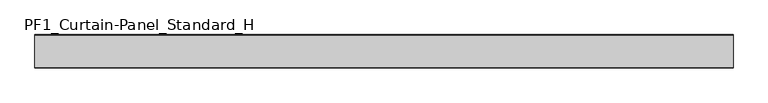
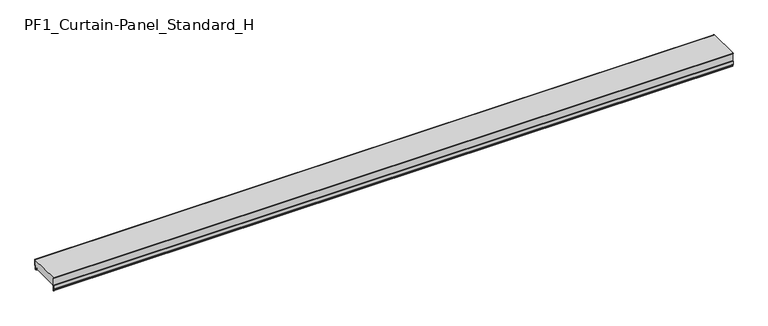
"""IFC4 building model written with IfcOpenShell, lengths in millimetres: plate geometry, PF1_Curtain-Panel_Standard_H."""

from ifc_helpers import new_model, si_unit, point, frame, frame_2d, origin, place, context, project, spatial, polyline, circle_curve, trimmed, segment, composite_curve, outline, extrude, source, transform, mapped, element, save


def pf1_curtain_panel_standard_h_0fafce99(model_context):
    return source(origin(), model_context, "Body", "SweptSolid", [
        extrude(outline(composite_curve([segment(polyline([(-15.878557, 0.0), (-20.0, 0.0), (-20.0, 0.8), (-15.878557, 0.8)]), True, "CONTINUOUS"), segment(trimmed(circle_curve(frame_2d((-15.878557, -2.0)), 2.8), [point((-15.878557, 0.8))], [point((-13.1503208, -1.370137))], False, "CARTESIAN"), True, "CONTINUOUS"), segment(polyline([(-13.1503208, -1.370137), (-11.728236, -7.529863)]), True, "CONTINUOUS"), segment(trimmed(circle_curve(frame_2d((-9.0, -6.9)), 2.8), [point((-11.728236, -7.529863))], [point((-6.2, -6.9))], True, "CARTESIAN"), True, "CONTINUOUS"), segment(polyline([(-6.2, -6.9), (-6.2, 8.6)]), True, "CONTINUOUS"), segment(trimmed(circle_curve(frame_2d((-3.4, 8.6)), 2.8), [point((-6.2, 8.6))], [point((-3.4, 11.4))], False, "CARTESIAN"), True, "CONTINUOUS"), segment(polyline([(-3.4, 11.4), (-2.0, 11.4)]), True, "CONTINUOUS"), segment(trimmed(circle_curve(frame_2d((-2.0, 12.6)), 1.2), [point((-2.0, 11.4))], [point((-0.8, 12.6))], True, "CARTESIAN"), True, "CONTINUOUS"), segment(polyline([(-0.8, 12.6), (-0.8, 50.0), (0.0, 50.0), (0.0, 12.6)]), True, "CONTINUOUS"), segment(trimmed(circle_curve(frame_2d((-2.0, 12.6)), 2.0), [point((0.0, 12.6))], [point((-2.0, 10.6))], False, "CARTESIAN"), True, "CONTINUOUS"), segment(polyline([(-2.0, 10.6), (-3.4, 10.6)]), True, "CONTINUOUS"), segment(trimmed(circle_curve(frame_2d((-3.4, 8.6)), 2.0), [point((-3.4, 10.6))], [point((-5.4, 8.6))], True, "CARTESIAN"), True, "CONTINUOUS"), segment(polyline([(-5.4, 8.6), (-5.4, -6.9)]), True, "CONTINUOUS"), segment(trimmed(circle_curve(frame_2d((-9.0, -6.9)), 3.6), [point((-5.4, -6.9))], [point((-12.5077322, -7.7098239))], False, "CARTESIAN"), True, "CONTINUOUS"), segment(polyline([(-12.5077322, -7.7098239), (-13.929817, -1.5500979)]), True, "CONTINUOUS"), segment(trimmed(circle_curve(frame_2d((-15.878557, -2.0)), 2.0), [point((-13.929817, -1.5500979))], [point((-15.878557, 0.0))], True, "CARTESIAN"), True, "CONTINUOUS")], self_intersect=False)), frame((-2100.0, 0.0, 0.0), z_axis=(1.0, 0.0, 0.0), x_axis=(0.0, 1.0, 0.0)), (0.0, 0.0, 1.0), 4200.0),
        extrude(outline(composite_curve([segment(polyline([(-190.0, 0.0), (-193.5, 0.0)]), True, "CONTINUOUS"), segment(trimmed(circle_curve(frame_2d((-193.5, -2.0)), 2.0), [point((-193.5, 0.0))], [point((-195.5, -2.0))], True, "CARTESIAN"), True, "CONTINUOUS"), segment(polyline([(-195.5, -2.0), (-195.5, -33.0)]), True, "CONTINUOUS"), segment(trimmed(circle_curve(frame_2d((-196.5, -33.0)), 1.0), [point((-195.5, -33.0))], [point((-197.5, -33.0))], False, "CARTESIAN"), True, "CONTINUOUS"), segment(polyline([(-197.5, -33.0), (-197.5, -26.9)]), True, "CONTINUOUS"), segment(trimmed(circle_curve(frame_2d((-198.4, -26.9)), 0.9), [point((-197.5, -26.9))], [point((-198.4, -26.0))], True, "CARTESIAN"), True, "CONTINUOUS"), segment(trimmed(circle_curve(frame_2d((-198.4, -24.4)), 1.6), [point((-198.4, -26.0))], [point((-200.0, -24.4))], False, "CARTESIAN"), True, "CONTINUOUS"), segment(polyline([(-200.0, -24.4), (-200.0, -0.9952559), (-198.5, 1.6028217), (-198.5, 46.4028193), (-200.0, 49.0008969), (-200.0, 50.0), (-199.2, 50.0), (-199.2, 49.2152562), (-197.7, 46.6171786), (-197.7, 1.3884624), (-199.2, -1.2096152), (-199.2, -24.4)]), True, "CONTINUOUS"), segment(trimmed(circle_curve(frame_2d((-198.4, -24.4)), 0.8), [point((-199.2, -24.4))], [point((-198.4, -25.2))], True, "CARTESIAN"), True, "CONTINUOUS"), segment(trimmed(circle_curve(frame_2d((-198.6133333, -26.9)), 1.7133333), [point((-198.4, -25.2))], [point((-196.9, -26.9))], False, "CARTESIAN"), True, "CONTINUOUS"), segment(polyline([(-196.9, -26.9), (-196.9, -32.8700312)]), True, "CONTINUOUS"), segment(trimmed(circle_curve(frame_2d((-196.6, -32.8700312)), 0.3), [point((-196.9, -32.8700312))], [point((-196.3, -32.8700312))], True, "CARTESIAN"), True, "CONTINUOUS"), segment(polyline([(-196.3, -32.8700312), (-196.3, -2.0)]), True, "CONTINUOUS"), segment(trimmed(circle_curve(frame_2d((-193.5, -2.0)), 2.8), [point((-196.3, -2.0))], [point((-193.5, 0.8))], False, "CARTESIAN"), True, "CONTINUOUS"), segment(polyline([(-193.5, 0.8), (-190.0, 0.8), (-190.0, 0.0)]), True, "CONTINUOUS")], self_intersect=False)), frame((-2100.0, 0.0, 0.0), z_axis=(1.0, 0.0, 0.0), x_axis=(0.0, 1.0, 0.0)), (0.0, 0.0, 1.0), 4200.0),
        extrude(outline(composite_curve([segment(polyline([(-190.0, 0.8), (-193.5, 0.8)]), True, "CONTINUOUS"), segment(trimmed(circle_curve(frame_2d((-193.5, -2.0)), 2.8), [point((-193.5, 0.8))], [point((-196.3, -2.0))], True, "CARTESIAN"), True, "CONTINUOUS"), segment(polyline([(-196.3, -2.0), (-196.3, -32.8700312)]), True, "CONTINUOUS"), segment(trimmed(circle_curve(frame_2d((-196.6, -32.8700312)), 0.3), [point((-196.3, -32.8700312))], [point((-196.9, -32.8700312))], False, "CARTESIAN"), True, "CONTINUOUS"), segment(polyline([(-196.9, -32.8700312), (-196.9, -26.9)]), True, "CONTINUOUS"), segment(trimmed(circle_curve(frame_2d((-198.6133333, -26.9)), 1.7133333), [point((-196.9, -26.9))], [point((-198.4, -25.2))], True, "CARTESIAN"), True, "CONTINUOUS"), segment(trimmed(circle_curve(frame_2d((-198.4, -24.4)), 0.8), [point((-198.4, -25.2))], [point((-199.2, -24.4))], False, "CARTESIAN"), True, "CONTINUOUS"), segment(polyline([(-199.2, -24.4), (-199.2, -1.2096152), (-197.7, 1.3884624), (-197.7, 46.6171786), (-199.2, 49.2152562), (-199.2, 50.0), (-0.8, 50.0), (-0.8, 12.6)]), True, "CONTINUOUS"), segment(trimmed(circle_curve(frame_2d((-2.0, 12.6)), 1.2), [point((-0.8, 12.6))], [point((-2.0, 11.4))], False, "CARTESIAN"), True, "CONTINUOUS"), segment(polyline([(-2.0, 11.4), (-3.4, 11.4)]), True, "CONTINUOUS"), segment(trimmed(circle_curve(frame_2d((-3.4, 8.6)), 2.8), [point((-3.4, 11.4))], [point((-6.2, 8.6))], True, "CARTESIAN"), True, "CONTINUOUS"), segment(polyline([(-6.2, 8.6), (-6.2, -6.9)]), True, "CONTINUOUS"), segment(trimmed(circle_curve(frame_2d((-9.0, -6.9)), 2.8), [point((-6.2, -6.9))], [point((-11.7282362, -7.529863))], False, "CARTESIAN"), True, "CONTINUOUS"), segment(polyline([(-11.7282362, -7.529863), (-13.1503208, -1.370137)]), True, "CONTINUOUS"), segment(trimmed(circle_curve(frame_2d((-15.878557, -2.0)), 2.8), [point((-13.1503208, -1.370137))], [point((-15.878557, 0.8))], True, "CARTESIAN"), True, "CONTINUOUS"), segment(polyline([(-15.878557, 0.8), (-20.0, 0.8), (-20.0, 0.0), (-190.0, 0.0), (-190.0, 0.8)]), True, "CONTINUOUS")], self_intersect=False)), frame((-2100.0, 0.0, 0.0), z_axis=(1.0, 0.0, 0.0), x_axis=(0.0, 1.0, 0.0)), (0.0, 0.0, 1.0), 4200.0),
    ])


if __name__ == "__main__":
    model = new_model("IFC4")
    model_context = context("Model", 3, world=origin())
    ifc_project = project(units=[si_unit("LENGTHUNIT", "METRE", prefix="MILLI")], contexts=[model_context])
    site = spatial("IfcSite", under=ifc_project)
    building = spatial("IfcBuilding", under=site)
    placement = place(None, origin())
    pf1_curtain_panel_standard_h_shape = pf1_curtain_panel_standard_h_0fafce99(model_context)
    element("IfcPlate", 1, ObjectType="PF1_Curtain-Panel_Standard_H", at=placement, inside=building, context=model_context, shape_type="MappedRepresentation", body=[
        mapped(pf1_curtain_panel_standard_h_shape, transform((0.0, 0.0, 0.0), x_axis=(1.0, 0.0, 0.0), y_axis=(0.0, 1.0, 0.0), z_axis=(0.0, 0.0, 1.0))),
    ])
    save(model, "model.ifc")
